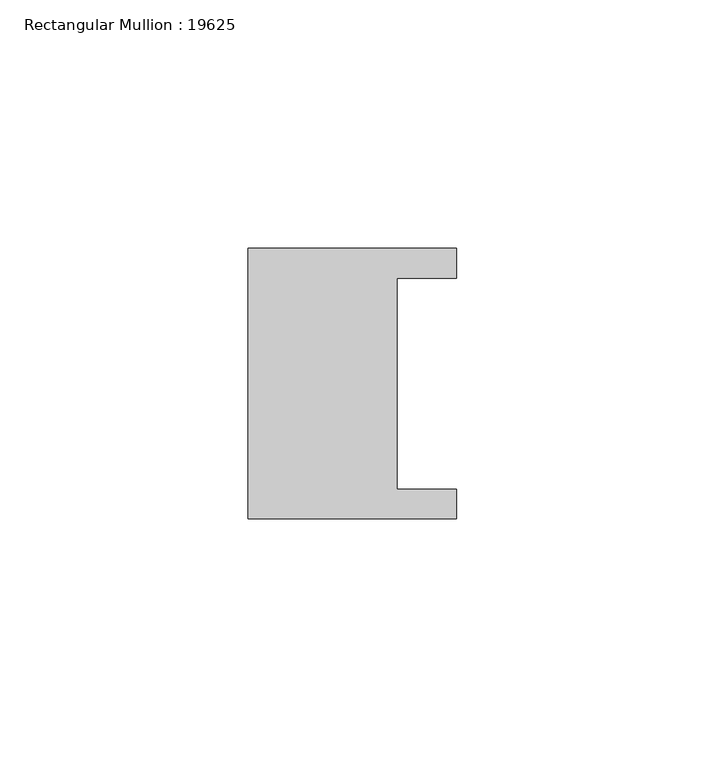
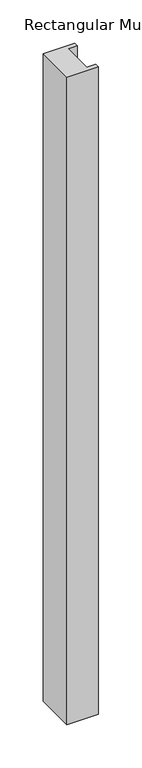
"""IFC4 building model written with IfcOpenShell, lengths in millimetres: member geometry, Rectangular Mullion : 19625."""

from ifc_helpers import new_model, si_unit, frame, origin, place, context, project, spatial, polyline, outline, extrude, source, transform, mapped, element, save


def rectangular_mullion_19625_66c7231f(model_context):
    return source(origin(), model_context, "Body", "SweptSolid", [
        extrude(outline(polyline([(-42.0, -27.25), (-42.0, 27.25), (0.0, 27.25), (0.0, 21.25), (-12.0, 21.25), (-12.0, -21.25), (0.0, -21.25), (0.0, -27.25), (-42.0, -27.25)])), frame((0.0, 0.0, -912.3846638), z_axis=(0.0, 0.0, 1.0), x_axis=(1.0, 0.0, 0.0)), (0.0, 0.0, 1.0), 912.3846638),
    ])


if __name__ == "__main__":
    model = new_model("IFC4")
    model_context = context("Model", 3, world=origin())
    ifc_project = project(units=[si_unit("LENGTHUNIT", "METRE", prefix="MILLI")], contexts=[model_context])
    site = spatial("IfcSite", under=ifc_project)
    building = spatial("IfcBuilding", under=site)
    placement = place(None, origin())
    rectangular_mullion_19625_shape = rectangular_mullion_19625_66c7231f(model_context)
    element("IfcMember", 1, ObjectType="Rectangular Mullion : 19625", at=placement, inside=building, context=model_context, shape_type="MappedRepresentation", body=[
        mapped(rectangular_mullion_19625_shape, transform((0.0, 0.0, 0.0), x_axis=(1.0, 0.0, 0.0), y_axis=(0.0, 1.0, 0.0), z_axis=(0.0, 0.0, 1.0))),
    ])
    save(model, "model.ifc")
